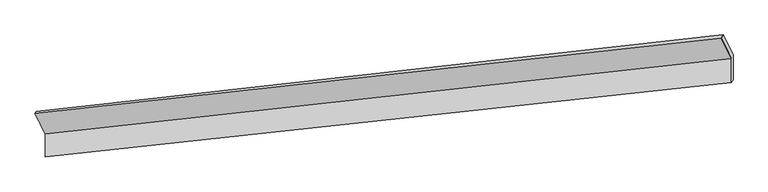
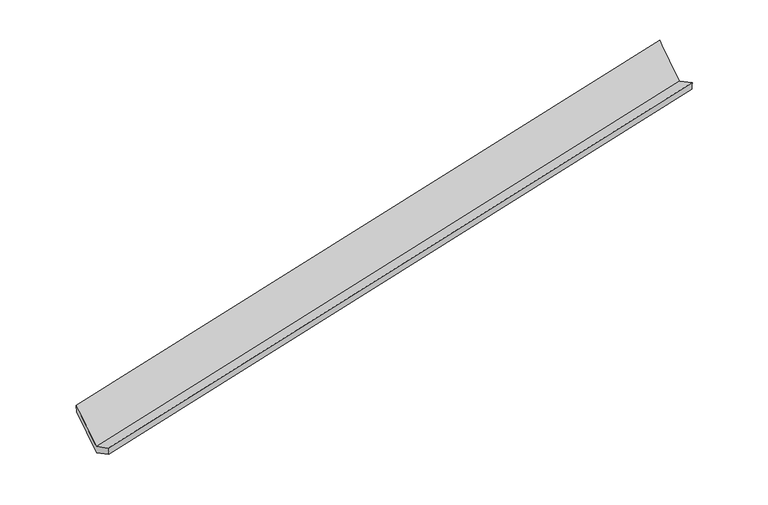
"""IFC4 building model written with IfcOpenShell, lengths in millimetres: proxy geometry."""

from ifc_helpers import new_model, si_unit, frame, origin, place, context, project, spatial, source, transform, mapped, element, save
from ifc_brep_helpers import plane_surface, spline_surface, advanced_brep


def generic_models_f8c58d84(model_context):
    return source(origin(), model_context, "Body", "AdvancedBrep", [
        advanced_brep(
        [(-8505.5470958, -2138.5205814, 565.4469277), (-8504.228782, -2520.6145727, 766.1966727), (2867.5882298, -1287.0455686, 3094.629381), (2866.1935579, -882.8203193, 2882.2520142), (-8477.0013818, -2486.039898, 613.0366241), (2895.3501758, -1232.658474, 2925.4241734), (-8478.3351562, -2099.4649078, 409.9325909), (2893.955315, -828.3784774, 2713.0180428), (-8646.7380749, -1760.0197306, 1057.1163295), (2729.6625893, -490.8711517, 3356.4864097), (-8675.0518848, -1796.8543945, 1216.8652275), (2701.9213455, -545.3551344, 3525.6400383)],
        [
            (0, 1),
            (1, 2),
            (2, 3),
            (3, 0),
            (1, 4),
            (4, 5),
            (5, 2),
            (4, 6),
            (6, 7),
            (7, 5),
            (6, 8),
            (8, 9),
            (9, 7),
            (8, 10),
            (10, 11),
            (11, 9),
            (10, 0),
            (3, 11),
        ],
        [
            plane_surface(frame((-8504.8879389, -2329.5675771, 665.8218002), z_axis=(-0.2257317006276221, 0.45249193717411224, 0.862726055085959), x_axis=(0.003054321211889119, -0.8852503210578736, 0.4651048700979882))),
            spline_surface(1, 1, [[(-8504.228782, -2520.6145727, 766.1966727), (2867.5882298, -1287.0455686, 3094.629381)], [(-8477.0013818, -2486.039898, 613.0366241), (2895.3501758, -1232.658474, 2925.4241734)]], [2, 2], [2, 2], [0.0, 1.0], [0.0, 1.0]),
            plane_surface(frame((-8477.668269, -2292.7524029, 511.4846075), z_axis=(0.22531452623104942, -0.45253798112925747, -0.8628109525873752), x_axis=(-0.0030543212118224693, 0.8852503210578337, -0.4651048700980644))),
            spline_surface(1, 1, [[(-8478.3351562, -2099.4649078, 409.9325909), (2893.955315, -828.3784774, 2713.0180428)], [(-8646.7380749, -1760.0197306, 1057.1163295), (2729.6625893, -490.8711517, 3356.4864097)]], [2, 2], [2, 2], [0.0, 1.0], [0.0, 1.0]),
            spline_surface(1, 1, [[(-8646.7380749, -1760.0197306, 1057.1163295), (2729.6625893, -490.8711517, 3356.4864097)], [(-8675.0518848, -1796.8543945, 1216.8652275), (2701.9213455, -545.3551344, 3525.6400383)]], [2, 2], [2, 2], [0.0, 1.0], [0.0, 1.0]),
            spline_surface(1, 1, [[(-8675.0518848, -1796.8543945, 1216.8652275), (2701.9213455, -545.3551344, 3525.6400383)], [(-8505.5470958, -2138.5205814, 565.4469277), (2866.1935579, -882.8203193, 2882.2520142)]], [2, 2], [2, 2], [0.0, 1.0], [0.0, 1.0]),
            plane_surface(frame((2825.7785355, -877.8548542, 3082.9083432), z_axis=(0.975372902516419, 0.10521296743359267, 0.19385028377723468), x_axis=(-0.15423461889173973, -0.30291779244511974, 0.9404533445926466))),
            plane_surface(frame((-8547.8170626, -2133.5856808, 771.4323954), z_axis=(-0.9744574766079359, -0.10707568954697552, -0.19740167930120028), x_axis=(-0.22455132465614952, 0.4526219899374029, 0.8629658375742775))),
        ],
        [
            (0, [[1, 2, 3, 4]]),
            (1, [[5, 6, 7, -2]]),
            (2, [[8, 9, 10, -6]]),
            (3, [[11, 12, 13, -9]]),
            (4, [[14, 15, 16, -12]]),
            (5, [[17, -4, 18, -15]]),
            (6, [[-16, -18, -3, -7, -10, -13]]),
            (7, [[-17, -14, -11, -8, -5, -1]]),
        ],
    ),
    ])


if __name__ == "__main__":
    model = new_model("IFC4")
    model_context = context("Model", 3, world=origin())
    ifc_project = project(units=[si_unit("LENGTHUNIT", "METRE", prefix="MILLI")], contexts=[model_context])
    site = spatial("IfcSite", under=ifc_project)
    building = spatial("IfcBuilding", under=site)
    placement = place(None, origin())
    generic_models_shape = generic_models_f8c58d84(model_context)
    element("IfcBuildingElementProxy", 1, Name="Generic Models", at=placement, inside=building, context=model_context, shape_type="MappedRepresentation", body=[
        mapped(generic_models_shape, transform((0.0, 0.0, 0.0), x_axis=(1.0, 0.0, 0.0), y_axis=(0.0, 1.0, 0.0), z_axis=(0.0, 0.0, 1.0))),
    ])
    save(model, "model.ifc")
